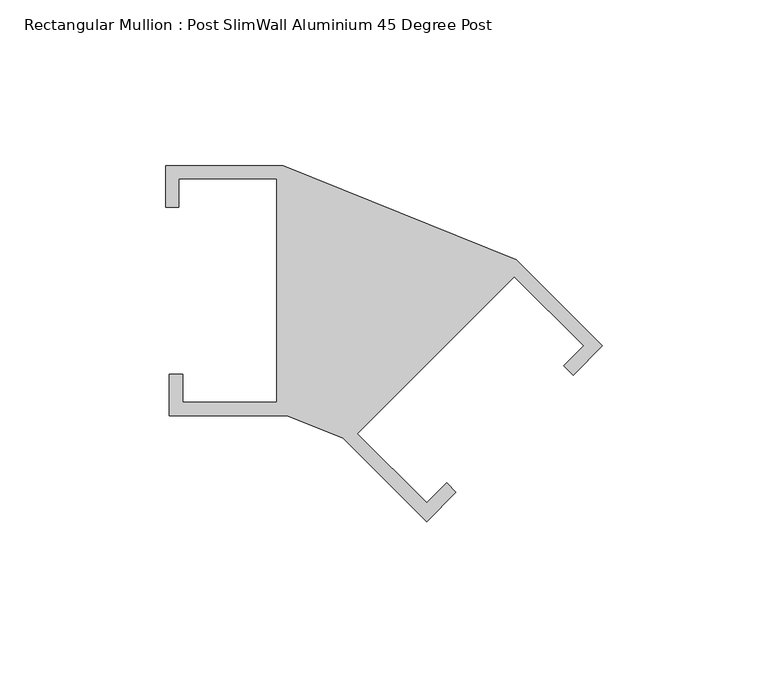
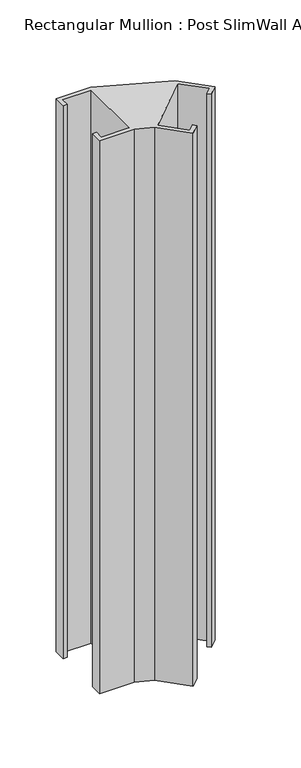
"""IFC4 building model written with IfcOpenShell, lengths in millimetres: member geometry, Rectangular Mullion : Post SlimWall Aluminium 45 Degree Post."""

from ifc_helpers import new_model, si_unit, frame, origin, place, context, project, spatial, polyline, outline, extrude, source, transform, mapped, element, save


def rectangular_mullion_post_slimwall_aluminium_45_degree_post_52973f1e(model_context):
    return source(origin(), model_context, "Body", "SweptSolid", [
        extrude(outline(polyline([(-98.2886422, 33.72692), (-127.7886422, 33.72692), (-127.7886422, 25.22692), (-131.7886422, 25.22692), (-131.7886422, 37.72692), (-96.2886422, 37.72692), (-26.0088157, 9.3320269), (0.0, -16.6767887), (-8.8388348, -25.5156235), (-11.6672619, -22.6871964), (-5.6568542, -16.6767887), (-26.5165043, 4.1828613), (-73.8926586, -43.193293), (-53.0330086, -64.0529431), (-47.0226009, -58.0425354), (-44.1941738, -60.8709626), (-53.0330086, -69.7097973), (-78.1352993, -44.6075066), (-95.1653488, -37.72692), (-130.6653488, -37.72692), (-130.6653488, -25.22692), (-126.6653488, -25.22692), (-126.6653488, -33.72692), (-98.2886422, -33.72692), (-98.2886422, 33.72692)])), frame((0.0, 0.0, -600.0), z_axis=(0.0, 0.0, 1.0), x_axis=(1.0, 0.0, 0.0)), (0.0, 0.0, 1.0), 600.0),
    ])


if __name__ == "__main__":
    model = new_model("IFC4")
    model_context = context("Model", 3, world=origin())
    ifc_project = project(units=[si_unit("LENGTHUNIT", "METRE", prefix="MILLI")], contexts=[model_context])
    site = spatial("IfcSite", under=ifc_project)
    building = spatial("IfcBuilding", under=site)
    placement = place(None, origin())
    rectangular_mullion_post_slimwall_aluminium_45_degree_post_shape = rectangular_mullion_post_slimwall_aluminium_45_degree_post_52973f1e(model_context)
    element("IfcMember", 1, ObjectType="Rectangular Mullion : Post SlimWall Aluminium 45 Degree Post", at=placement, inside=building, context=model_context, shape_type="MappedRepresentation", body=[
        mapped(rectangular_mullion_post_slimwall_aluminium_45_degree_post_shape, transform((0.0, 0.0, 0.0), x_axis=(1.0, 0.0, 0.0), y_axis=(0.0, 1.0, 0.0), z_axis=(0.0, 0.0, 1.0))),
    ])
    save(model, "model.ifc")
